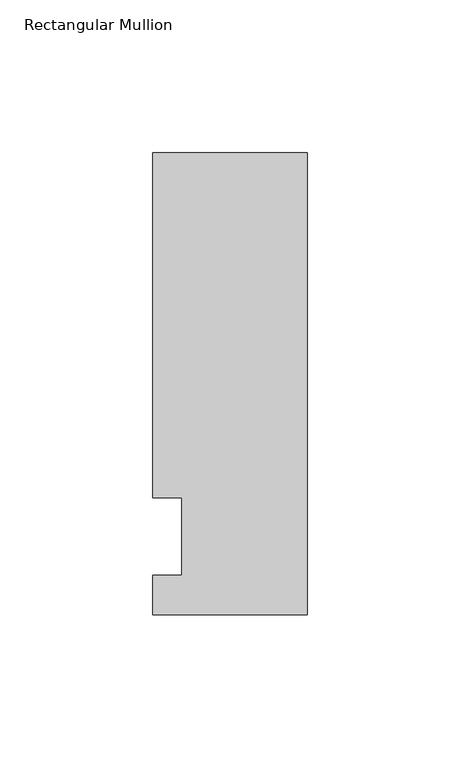
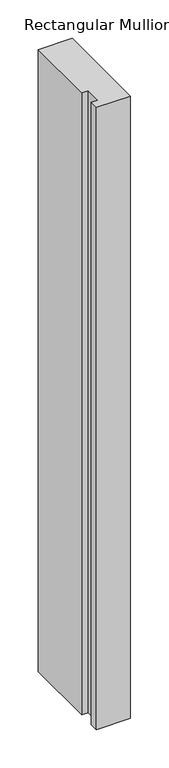
"""IFC4 building model written with IfcOpenShell, lengths in millimetres: member geometry, Rectangular Mullion."""

from ifc_helpers import new_model, si_unit, frame, origin, place, context, project, spatial, polyline, outline, extrude, source, transform, mapped, element, save


def rectangular_mullion_03f33e53(model_context):
    return source(origin(), model_context, "Body", "SweptSolid", [
        extrude(outline(polyline([(-50.8, -25.7961253), (-50.8, -12.7), (-41.275, -12.7), (-41.275, 12.7), (-50.8, 12.7), (-50.8, 125.8036906), (0.0, 125.8036906), (0.0, -25.7961253), (-50.8, -25.7961253)])), frame((0.0, 0.0, -990.6), z_axis=(0.0, 0.0, 1.0), x_axis=(1.0, 0.0, 0.0)), (0.0, 0.0, 1.0), 990.6),
    ])


if __name__ == "__main__":
    model = new_model("IFC4")
    model_context = context("Model", 3, world=origin())
    ifc_project = project(units=[si_unit("LENGTHUNIT", "METRE", prefix="MILLI")], contexts=[model_context])
    site = spatial("IfcSite", under=ifc_project)
    building = spatial("IfcBuilding", under=site)
    placement = place(None, origin())
    rectangular_mullion_shape = rectangular_mullion_03f33e53(model_context)
    element("IfcMember", 1, ObjectType="Rectangular Mullion", at=placement, inside=building, context=model_context, shape_type="MappedRepresentation", body=[
        mapped(rectangular_mullion_shape, transform((0.0, 0.0, 0.0), x_axis=(1.0, 0.0, 0.0), y_axis=(0.0, 1.0, 0.0), z_axis=(0.0, 0.0, 1.0))),
    ])
    save(model, "model.ifc")
